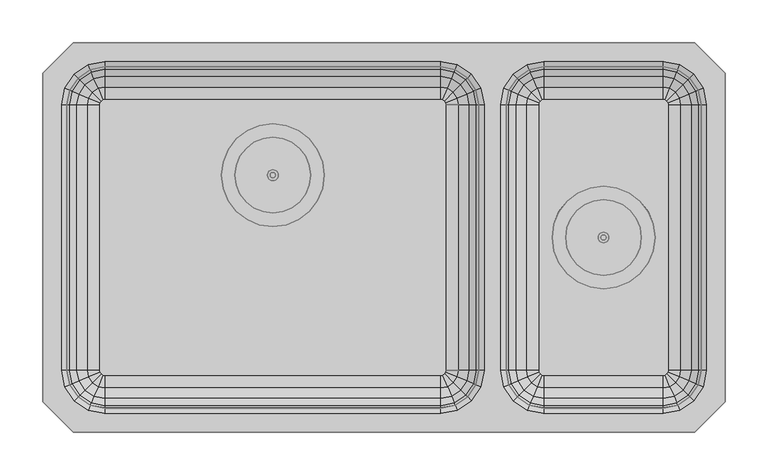
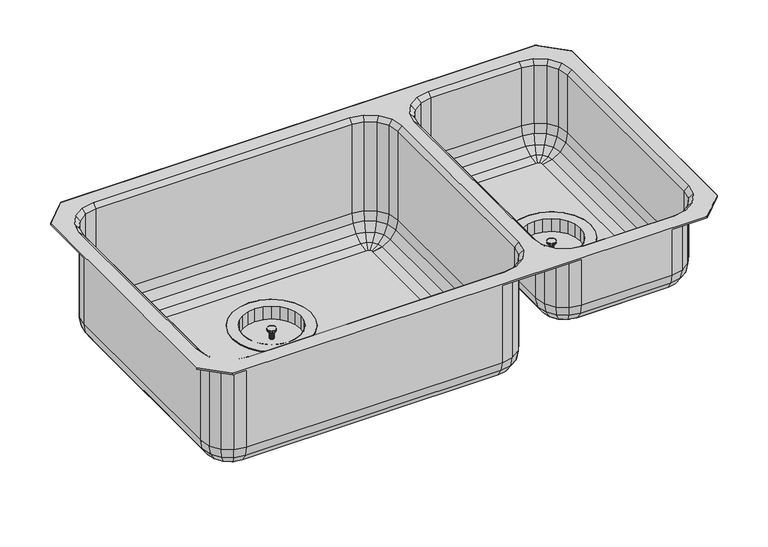
"""IFC4 building model written with IfcOpenShell, lengths in millimetres: flow terminal geometry."""

from ifc_helpers import new_model, si_unit, origin, place, context, project, spatial, triangles, source, transform, mapped, element, save


def flow_terminal_70f16a05(model_context):
    return source(origin(), model_context, "Body", "Tessellation", [
        triangles([(660.5270514, -228.5999818, 63.4999985), (660.5270514, -228.5999818, 50.8000015), (660.4188457, -227.7782297, 50.8000015), (660.4188457, -227.7782297, 63.4999985), (701.8020029, -228.5999818, 50.8000015), (701.8020029, -228.5999818, 71.4375), (700.2874151, -217.0954697, 71.4375), (700.2874151, -217.0954697, 50.8000015), (660.1016413, -227.0124697, 50.8000015), (660.1016413, -227.0124697, 63.4999985), (695.8468431, -206.3749758, 71.4375), (695.8468431, -206.3749758, 50.8000015), (659.5970936, -226.3549154, 50.8000015), (659.5970936, -226.3549154, 63.4999985), (688.7829575, -197.1690697, 71.4375), (688.7829575, -197.1690697, 50.8000015), (658.9395029, -225.8503495, 50.8000015), (658.9395029, -225.8503495, 63.4999985), (679.5770514, -190.1051476, 71.4375), (679.5770514, -190.1051476, 50.8000015), (658.1737793, -225.5331632, 50.8000015), (658.1737793, -225.5331632, 63.4999985), (668.8565575, -185.6645757, 71.4375), (668.8565575, -185.6645757, 50.8000015), (657.3520271, -225.4249758, 50.8000015), (657.3520271, -225.4249758, 63.4999985), (657.3520271, -184.1499697, 71.4375), (657.3520271, -184.1499697, 50.8000015), (656.530275, -225.5331632, 50.8000015), (656.530275, -225.5331632, 63.4999985), (645.8474968, -185.6645757, 71.4375), (645.8474968, -185.6645757, 50.8000015), (655.7645514, -225.8503495, 50.8000015), (655.7645514, -225.8503495, 63.4999985), (635.1270029, -190.1051476, 71.4375), (635.1270029, -190.1051476, 50.8000015), (655.1069607, -226.3549154, 50.8000015), (655.1069607, -226.3549154, 63.4999985), (625.9210968, -197.1690697, 71.4375), (625.9210968, -197.1690697, 50.8000015), (654.602413, -227.0124697, 50.8000015), (654.602413, -227.0124697, 63.4999985), (618.8572111, -206.3749758, 71.4375), (618.8572111, -206.3749758, 50.8000015), (654.2852085, -227.7782297, 50.8000015), (654.2852085, -227.7782297, 63.4999985), (614.4166391, -217.0954697, 71.4375), (614.4166391, -217.0954697, 50.8000015), (654.1770029, -228.5999818, 50.8000015), (654.1770029, -228.5999818, 63.4999985), (612.9020514, -228.5999818, 71.4375), (612.9020514, -228.5999818, 50.8000015), (654.2852085, -229.421734, 50.8000015), (654.2852085, -229.421734, 63.4999985), (614.4166391, -240.1044758, 71.4375), (614.4166391, -240.1044758, 50.8000015), (654.602413, -230.1874758, 50.8000015), (654.602413, -230.1874758, 63.4999985), (618.8572111, -250.8249697, 71.4375), (618.8572111, -250.8249697, 50.8000015), (655.1069607, -230.8450301, 50.8000015), (655.1069607, -230.8450301, 63.4999985), (625.9210968, -260.0308758, 71.4375), (625.9210968, -260.0308758, 50.8000015), (655.7645514, -231.3496141, 50.8000015), (655.7645514, -231.3496141, 63.4999985), (635.1270029, -267.0947978, 71.4375), (635.1270029, -267.0947978, 50.8000015), (656.530275, -231.6667823, 50.8000015), (656.530275, -231.6667823, 63.4999985), (645.8474968, -271.5353698, 71.4375), (645.8474968, -271.5353698, 50.8000015), (657.3520271, -231.7749697, 50.8000015), (657.3520271, -231.7749697, 63.4999985), (657.3520271, -273.0499758, 71.4375), (657.3520271, -273.0499758, 50.8000015), (658.1737793, -231.6667823, 50.8000015), (658.1737793, -231.6667823, 63.4999985), (668.8565575, -271.5353698, 71.4375), (668.8565575, -271.5353698, 50.8000015), (658.9395029, -231.3496141, 50.8000015), (658.9395029, -231.3496141, 63.4999985), (679.5770514, -267.0947978, 71.4375), (679.5770514, -267.0947978, 50.8000015), (659.5970936, -230.8450301, 50.8000015), (659.5970936, -230.8450301, 63.4999985), (688.7829575, -260.0308758, 71.4375), (688.7829575, -260.0308758, 50.8000015), (660.1016413, -230.1874758, 50.8000015), (660.1016413, -230.1874758, 63.4999985), (695.8468431, -250.8249697, 71.4375), (695.8468431, -250.8249697, 50.8000015), (660.4188457, -229.421734, 50.8000015), (660.4188457, -229.421734, 63.4999985), (700.2874151, -240.1044758, 71.4375), (700.2874151, -240.1044758, 50.8000015), (599.082546, -244.2132367, 71.4375), (605.1090314, -258.7624758, 71.4375), (599.082546, -244.2132367, 69.8500015), (605.1090314, -258.7624758, 69.8500015), (614.6958372, -271.2561899, 71.4375), (700.008217, -271.2561899, 71.4375), (709.5949865, -258.7624758, 71.4375), (715.6215082, -244.2132367, 71.4375), (709.5949865, -258.7624758, 69.8500015), (715.6215082, -244.2132367, 69.8500015), (672.9653183, -286.8694448, 71.4375), (687.5145029, -280.8429594, 71.4375), (672.9653183, -286.8694448, 69.8500015), (687.5145029, -280.8429594, 69.8500015), (614.6958372, -271.2561899, 69.8500015), (627.1895514, -280.8429594, 69.8500015), (627.1895514, -280.8429594, 71.4375), (641.738736, -286.8694448, 69.8500015), (641.738736, -286.8694448, 71.4375), (657.3520271, -288.9249697, 69.8500015), (657.3520271, -288.9249697, 71.4375), (700.008217, -271.2561899, 69.8500015), (687.5145029, -176.3569861, 71.4375), (672.9653183, -170.3305007, 71.4375), (687.5145029, -176.3569861, 69.8500015), (672.9653183, -170.3305007, 69.8500015), (641.738736, -170.3305007, 71.4375), (627.1895514, -176.3569861, 71.4375), (614.6958372, -185.9437556, 71.4375), (627.1895514, -176.3569861, 69.8500015), (614.6958372, -185.9437556, 69.8500015), (663.7020029, -228.5999818, 66.675), (663.7020029, -228.5999818, 63.4999985), (663.4856644, -226.9564775, 63.4999985), (663.4856644, -226.9564775, 66.675), (662.8512554, -225.4249758, 63.4999985), (662.8512554, -225.4249758, 66.675), (661.84216, -224.1098489, 63.4999985), (661.84216, -224.1098489, 66.675), (660.5270514, -223.1007172, 63.4999985), (660.5270514, -223.1007172, 66.675), (658.9955315, -222.4663446, 63.4999985), (658.9955315, -222.4663446, 66.675), (657.3520271, -222.2499697, 63.4999985), (657.3520271, -222.2499697, 66.675), (655.7085228, -222.4663446, 63.4999985), (655.7085228, -222.4663446, 66.675), (654.1770029, -223.1007172, 63.4999985), (654.1770029, -223.1007172, 66.675), (652.8618942, -224.1098489, 63.4999985), (652.8618942, -224.1098489, 66.675), (651.8527988, -225.4249758, 63.4999985), (651.8527988, -225.4249758, 66.675), (651.2183899, -226.9564775, 63.4999985), (651.2183899, -226.9564775, 66.675), (651.0020514, -228.5999818, 63.4999985), (651.0020514, -228.5999818, 66.675), (651.2183899, -230.243468, 63.4999985), (651.2183899, -230.243468, 66.675), (651.8527988, -231.7749697, 63.4999985), (651.8527988, -231.7749697, 66.675), (652.8618942, -233.0900966, 63.4999985), (652.8618942, -233.0900966, 66.675), (654.1770029, -234.0992283, 63.4999985), (654.1770029, -234.0992283, 66.675), (655.7085228, -234.7336009, 63.4999985), (655.7085228, -234.7336009, 66.675), (657.3520271, -234.9499758, 63.4999985), (657.3520271, -234.9499758, 66.675), (658.9955315, -234.7336009, 63.4999985), (658.9955315, -234.7336009, 66.675), (660.5270514, -234.0992283, 63.4999985), (660.5270514, -234.0992283, 66.675), (661.84216, -233.0900966, 63.4999985), (661.84216, -233.0900966, 66.675), (662.8512554, -231.7749697, 63.4999985), (662.8512554, -231.7749697, 66.675), (663.4856644, -230.243468, 63.4999985), (663.4856644, -230.243468, 66.675), (657.3520271, -228.5999818, 66.675), (605.1090314, -198.4374697, 71.4375), (605.1090314, -198.4374697, 69.8500015), (599.082546, -212.9867088, 71.4375), (597.0270392, -228.5999818, 71.4375), (599.082546, -212.9867088, 69.8500015), (597.0270392, -228.5999818, 69.8500015), (657.3520271, -168.2749758, 69.8500015), (657.3520271, -168.2749758, 71.4375), (641.738736, -170.3305007, 69.8500015), (700.008217, -185.9437556, 71.4375), (700.008217, -185.9437556, 69.8500015), (717.6770514, -228.5999818, 71.4375), (715.6215082, -212.9867088, 71.4375), (717.6770514, -228.5999818, 69.8500015), (715.6215082, -212.9867088, 69.8500015), (709.5949865, -198.4374697, 69.8500015), (709.5949865, -198.4374697, 71.4375), (272.9230031, -155.4479789, 12.7000004), (272.9230031, -155.4479789, 0.0), (272.8148157, -154.6262268, 0.0), (272.8148157, -154.6262268, 12.7000004), (314.1980092, -155.4479789, 0.0), (314.1980092, -155.4479789, 20.6375008), (312.6833851, -143.9434668, 20.6375008), (312.6833851, -143.9434668, 0.0), (272.4976294, -153.8604668, 0.0), (272.4976294, -153.8604668, 12.7000004), (308.2428131, -133.2229729, 20.6375008), (308.2428131, -133.2229729, 0.0), (271.9930635, -153.2029125, 0.0), (271.9930635, -153.2029125, 12.7000004), (301.1788911, -124.0170758, 20.6375008), (301.1788911, -124.0170758, 0.0), (271.335491, -152.6983466, 0.0), (271.335491, -152.6983466, 12.7000004), (291.9730031, -116.9531447, 20.6375008), (291.9730031, -116.9531447, 0.0), (270.5697493, -152.3811603, 0.0), (270.5697493, -152.3811603, 12.7000004), (281.2525093, -112.5125728, 20.6375008), (281.2525093, -112.5125728, 0.0), (269.7479971, -152.2729729, 0.0), (269.7479971, -152.2729729, 12.7000004), (269.7479971, -110.9979759, 20.6375008), (269.7479971, -110.9979759, 0.0), (268.9262449, -152.3811603, 0.0), (268.9262449, -152.3811603, 12.7000004), (258.2434849, -112.5125728, 20.6375008), (258.2434849, -112.5125728, 0.0), (268.1605031, -152.6983466, 0.0), (268.1605031, -152.6983466, 12.7000004), (247.522991, -116.9531447, 20.6375008), (247.522991, -116.9531447, 0.0), (267.5029306, -153.2029125, 0.0), (267.5029306, -153.2029125, 12.7000004), (238.3171031, -124.0170758, 20.6375008), (238.3171031, -124.0170758, 0.0), (266.9983648, -153.8604668, 0.0), (266.9983648, -153.8604668, 12.7000004), (231.2531629, -133.2229729, 20.6375008), (231.2531629, -133.2229729, 0.0), (266.6811785, -154.6262268, 0.0), (266.6811785, -154.6262268, 12.7000004), (226.8125909, -143.9434668, 20.6375008), (226.8125909, -143.9434668, 0.0), (266.572991, -155.4479789, 0.0), (266.572991, -155.4479789, 12.7000004), (225.2980031, -155.4479789, 20.6375008), (225.2980031, -155.4479789, 0.0), (266.6811785, -156.2697311, 0.0), (266.6811785, -156.2697311, 12.7000004), (226.8125909, -166.9524729, 20.6375008), (226.8125909, -166.9524729, 0.0), (266.9983648, -157.0354729, 0.0), (266.9983648, -157.0354729, 12.7000004), (231.2531629, -177.6729668, 20.6375008), (231.2531629, -177.6729668, 0.0), (267.5029306, -157.6930454, 0.0), (267.5029306, -157.6930454, 12.7000004), (238.3171031, -186.8788729, 20.6375008), (238.3171031, -186.8788729, 0.0), (268.1605031, -158.1976112, 0.0), (268.1605031, -158.1976112, 12.7000004), (247.522991, -193.9427949, 20.6375008), (247.522991, -193.9427949, 0.0), (268.9262449, -158.5147975, 0.0), (268.9262449, -158.5147975, 12.7000004), (258.2434849, -198.3833851, 20.6375008), (258.2434849, -198.3833851, 0.0), (269.7479971, -158.6229668, 0.0), (269.7479971, -158.6229668, 12.7000004), (269.7479971, -199.8979729, 20.6375008), (269.7479971, -199.8979729, 0.0), (270.5697493, -158.5147975, 0.0), (270.5697493, -158.5147975, 12.7000004), (281.2525093, -198.3833851, 20.6375008), (281.2525093, -198.3833851, 0.0), (271.335491, -158.1976112, 0.0), (271.335491, -158.1976112, 12.7000004), (291.9730031, -193.9427949, 20.6375008), (291.9730031, -193.9427949, 0.0), (271.9930635, -157.6930454, 0.0), (271.9930635, -157.6930454, 12.7000004), (301.1788911, -186.8788729, 20.6375008), (301.1788911, -186.8788729, 0.0), (272.4976294, -157.0354729, 0.0), (272.4976294, -157.0354729, 12.7000004), (308.2428131, -177.6729668, 20.6375008), (308.2428131, -177.6729668, 0.0), (272.8148157, -156.2697311, 0.0), (272.8148157, -156.2697311, 12.7000004), (312.6833851, -166.9524729, 20.6375008), (312.6833851, -166.9524729, 0.0), (211.478516, -171.0612338, 20.6375008), (217.5050195, -185.6104729, 20.6375008), (211.478516, -171.0612338, 19.05), (217.5050195, -185.6104729, 19.05), (227.091789, -198.104187, 20.6375008), (312.4042233, -198.104187, 20.6375008), (321.9909928, -185.6104729, 20.6375008), (328.0174782, -171.0612338, 20.6375008), (321.9909928, -185.6104729, 19.05), (328.0174782, -171.0612338, 19.05), (285.3612519, -213.7174418, 20.6375008), (299.910491, -207.6909565, 20.6375008), (285.3612519, -213.7174418, 19.05), (299.910491, -207.6909565, 19.05), (227.091789, -198.104187, 19.05), (239.5855031, -207.6909565, 19.05), (239.5855031, -207.6909565, 20.6375008), (254.1347423, -213.7174418, 19.05), (254.1347423, -213.7174418, 20.6375008), (269.7479971, -215.7729668, 19.05), (269.7479971, -215.7729668, 20.6375008), (312.4042233, -198.104187, 19.05), (299.910491, -103.2049923, 20.6375008), (285.3612519, -97.1784978, 20.6375008), (299.910491, -103.2049923, 19.05), (285.3612519, -97.1784978, 19.05), (254.1347423, -97.1784978, 20.6375008), (239.5855031, -103.2049923, 20.6375008), (227.091789, -112.7917618, 20.6375008), (239.5855031, -103.2049923, 19.05), (227.091789, -112.7917618, 19.05), (276.097991, -155.4479789, 15.8749996), (276.097991, -155.4479789, 12.7000004), (275.8816343, -153.8044746, 12.7000004), (275.8816343, -153.8044746, 15.8749996), (275.2472617, -152.2729729, 12.7000004), (275.2472617, -152.2729729, 15.8749996), (274.23813, -150.957846, 12.7000004), (274.23813, -150.957846, 15.8749996), (272.9230031, -149.9487143, 12.7000004), (272.9230031, -149.9487143, 15.8749996), (271.3915014, -149.3143417, 12.7000004), (271.3915014, -149.3143417, 15.8749996), (269.7479971, -149.0979759, 12.7000004), (269.7479971, -149.0979759, 15.8749996), (268.1044928, -149.3143417, 12.7000004), (268.1044928, -149.3143417, 15.8749996), (266.572991, -149.9487143, 12.7000004), (266.572991, -149.9487143, 15.8749996), (265.2578642, -150.957846, 12.7000004), (265.2578642, -150.957846, 15.8749996), (264.2487325, -152.2729729, 12.7000004), (264.2487325, -152.2729729, 15.8749996), (263.614378, -153.8044746, 12.7000004), (263.614378, -153.8044746, 15.8749996), (263.3980031, -155.4479789, 12.7000004), (263.3980031, -155.4479789, 15.8749996), (263.614378, -157.0914833, 12.7000004), (263.614378, -157.0914833, 15.8749996), (264.2487325, -158.6229668, 12.7000004), (264.2487325, -158.6229668, 15.8749996), (265.2578642, -159.9380937, 12.7000004), (265.2578642, -159.9380937, 15.8749996), (266.572991, -160.9472435, 12.7000004), (266.572991, -160.9472435, 15.8749996), (268.1044928, -161.581598, 12.7000004), (268.1044928, -161.581598, 15.8749996), (269.7479971, -161.7979729, 12.7000004), (269.7479971, -161.7979729, 15.8749996), (271.3915014, -161.581598, 12.7000004), (271.3915014, -161.581598, 15.8749996), (272.9230031, -160.9472435, 12.7000004), (272.9230031, -160.9472435, 15.8749996), (274.23813, -159.9380937, 12.7000004), (274.23813, -159.9380937, 15.8749996), (275.2472617, -158.6229668, 12.7000004), (275.2472617, -158.6229668, 15.8749996), (275.8816343, -157.0914833, 12.7000004), (275.8816343, -157.0914833, 15.8749996), (269.7479971, -155.4479789, 15.8749996), (217.5050195, -125.2854759, 20.6375008), (217.5050195, -125.2854759, 19.05), (211.478516, -139.834715, 20.6375008), (209.422991, -155.4479789, 20.6375008), (211.478516, -139.834715, 19.05), (209.422991, -155.4479789, 19.05), (269.7479971, -95.1229729, 19.05), (269.7479971, -95.1229729, 20.6375008), (254.1347423, -97.1784978, 19.05), (312.4042233, -112.7917618, 20.6375008), (312.4042233, -112.7917618, 19.05), (330.072985, -155.4479789, 20.6375008), (328.0174782, -139.834715, 20.6375008), (330.072985, -155.4479789, 19.05), (328.0174782, -139.834715, 19.05), (321.9909928, -125.2854759, 19.05), (321.9909928, -125.2854759, 20.6375008)], [[2, 3, 1], [3, 4, 1], [6, 7, 8], [6, 8, 5], [3, 9, 4], [9, 10, 4], [7, 11, 12], [7, 12, 8], [9, 13, 10], [13, 14, 10], [11, 15, 16], [11, 16, 12], [13, 17, 14], [17, 18, 14], [15, 19, 20], [15, 20, 16], [17, 21, 18], [21, 22, 18], [19, 23, 24], [19, 24, 20], [21, 25, 22], [25, 26, 22], [23, 27, 28], [23, 28, 24], [25, 29, 26], [29, 30, 26], [27, 31, 32], [27, 32, 28], [29, 33, 30], [33, 34, 30], [31, 35, 36], [31, 36, 32], [33, 37, 34], [37, 38, 34], [35, 39, 40], [35, 40, 36], [37, 41, 38], [41, 42, 38], [39, 43, 44], [39, 44, 40], [41, 45, 42], [45, 46, 42], [43, 47, 48], [43, 48, 44], [45, 49, 50], [45, 50, 46], [47, 51, 52], [47, 52, 48], [49, 53, 54], [49, 54, 50], [51, 55, 56], [51, 56, 52], [53, 57, 58], [53, 58, 54], [55, 59, 60], [55, 60, 56], [57, 61, 62], [57, 62, 58], [59, 63, 64], [59, 64, 60], [61, 65, 66], [61, 66, 62], [63, 67, 68], [63, 68, 64], [65, 69, 70], [65, 70, 66], [67, 71, 72], [67, 72, 68], [69, 73, 74], [69, 74, 70], [71, 75, 76], [71, 76, 72], [73, 77, 78], [73, 78, 74], [75, 79, 80], [75, 80, 76], [77, 81, 82], [77, 82, 78], [79, 83, 84], [79, 84, 80], [81, 85, 86], [81, 86, 82], [83, 87, 88], [83, 88, 84], [85, 89, 90], [85, 90, 86], [87, 91, 92], [87, 92, 88], [89, 93, 94], [89, 94, 90], [91, 95, 92], [95, 96, 92], [93, 2, 94], [2, 1, 94], [95, 6, 5], [95, 5, 96], [60, 64, 61], [60, 61, 57], [64, 68, 65], [64, 65, 61], [68, 72, 69], [68, 69, 65], [72, 76, 73], [72, 73, 69], [76, 80, 77], [76, 77, 73], [80, 84, 81], [80, 81, 77], [84, 88, 85], [84, 85, 81], [88, 92, 89], [88, 89, 85], [5, 8, 3], [5, 3, 2], [8, 12, 9], [8, 9, 3], [12, 16, 13], [12, 13, 9], [16, 20, 17], [16, 17, 13], [20, 24, 21], [20, 21, 17], [92, 96, 93], [92, 93, 89], [96, 5, 2], [96, 2, 93], [24, 28, 21], [28, 25, 21], [28, 32, 25], [32, 29, 25], [32, 36, 29], [36, 33, 29], [36, 40, 33], [40, 37, 33], [40, 44, 37], [44, 41, 37], [44, 48, 45], [44, 45, 41], [48, 52, 49], [48, 49, 45], [52, 56, 53], [52, 53, 49], [56, 60, 57], [56, 57, 53], [97, 98, 59], [97, 59, 55], [99, 100, 98], [99, 98, 97], [98, 101, 63], [98, 63, 59], [102, 103, 87], [103, 91, 87], [103, 104, 95], [103, 95, 91], [105, 106, 104], [105, 104, 103], [107, 108, 83], [107, 83, 79], [109, 110, 108], [109, 108, 107], [100, 111, 101], [100, 101, 98], [111, 112, 113], [111, 113, 101], [112, 114, 115], [112, 115, 113], [114, 116, 117], [114, 117, 115], [116, 109, 107], [116, 107, 117], [113, 115, 71], [113, 71, 67], [115, 117, 75], [115, 75, 71], [101, 113, 67], [101, 67, 63], [117, 107, 79], [117, 79, 75], [110, 118, 102], [110, 102, 108], [118, 105, 103], [118, 103, 102], [108, 102, 83], [102, 87, 83], [119, 120, 23], [119, 23, 19], [121, 122, 119], [122, 120, 119], [123, 124, 31], [124, 35, 31], [124, 125, 39], [124, 39, 35], [126, 127, 125], [126, 125, 124], [129, 130, 128], [130, 131, 128], [130, 132, 131], [132, 133, 131], [132, 134, 133], [134, 135, 133], [134, 136, 135], [136, 137, 135], [136, 138, 137], [138, 139, 137], [138, 140, 139], [140, 141, 139], [140, 142, 141], [142, 143, 141], [142, 144, 143], [144, 145, 143], [144, 146, 145], [146, 147, 145], [146, 148, 147], [148, 149, 147], [148, 150, 149], [150, 151, 149], [150, 152, 153], [150, 153, 151], [152, 154, 155], [152, 155, 153], [154, 156, 157], [154, 157, 155], [156, 158, 159], [156, 159, 157], [158, 160, 161], [158, 161, 159], [160, 162, 163], [160, 163, 161], [162, 164, 165], [162, 165, 163], [164, 166, 167], [164, 167, 165], [166, 168, 169], [166, 169, 167], [168, 170, 171], [168, 171, 169], [170, 172, 173], [170, 173, 171], [172, 174, 175], [172, 175, 173], [174, 129, 175], [129, 128, 175], [4, 10, 130], [10, 132, 130], [10, 14, 132], [14, 134, 132], [14, 18, 134], [18, 136, 134], [18, 22, 136], [22, 138, 136], [78, 82, 168], [78, 168, 166], [82, 86, 170], [82, 170, 168], [86, 90, 172], [86, 172, 170], [90, 94, 174], [90, 174, 172], [54, 58, 156], [54, 156, 154], [58, 62, 158], [58, 158, 156], [70, 74, 164], [70, 164, 162], [74, 78, 166], [74, 166, 164], [66, 70, 162], [66, 162, 160], [62, 66, 160], [62, 160, 158], [38, 42, 148], [38, 148, 146], [42, 46, 148], [46, 150, 148], [46, 50, 150], [50, 152, 150], [50, 54, 154], [50, 154, 152], [34, 38, 146], [34, 146, 144], [26, 30, 142], [26, 142, 140], [30, 34, 144], [30, 144, 142], [22, 26, 140], [22, 140, 138], [1, 4, 129], [4, 130, 129], [94, 1, 129], [94, 129, 174], [176, 128, 131], [176, 131, 133], [176, 133, 135], [176, 135, 137], [176, 137, 139], [176, 167, 169], [176, 169, 171], [176, 171, 173], [176, 173, 175], [176, 175, 128], [176, 155, 157], [176, 157, 159], [176, 159, 161], [176, 161, 163], [176, 163, 165], [176, 165, 167], [176, 147, 149], [176, 149, 151], [176, 151, 153], [176, 153, 155], [176, 139, 141], [176, 141, 143], [176, 143, 145], [176, 145, 147], [125, 177, 43], [125, 43, 39], [127, 178, 177], [127, 177, 125], [177, 179, 47], [177, 47, 43], [179, 180, 51], [179, 51, 47], [180, 97, 55], [180, 55, 51], [181, 182, 180], [181, 180, 179], [182, 99, 97], [182, 97, 180], [178, 181, 179], [178, 179, 177], [122, 183, 120], [183, 184, 120], [183, 185, 123], [183, 123, 184], [185, 126, 124], [185, 124, 123], [184, 123, 27], [123, 31, 27], [120, 184, 23], [184, 27, 23], [186, 119, 19], [186, 19, 15], [187, 121, 119], [187, 119, 186], [188, 189, 7], [188, 7, 6], [190, 191, 189], [190, 189, 188], [106, 190, 188], [106, 188, 104], [104, 188, 6], [104, 6, 95], [191, 192, 193], [191, 193, 189], [192, 187, 186], [192, 186, 193], [189, 193, 11], [189, 11, 7], [193, 186, 15], [193, 15, 11], [195, 196, 197], [195, 197, 194], [199, 200, 201], [199, 201, 198], [196, 202, 203], [196, 203, 197], [200, 204, 205], [200, 205, 201], [202, 206, 207], [202, 207, 203], [204, 208, 209], [204, 209, 205], [206, 210, 211], [206, 211, 207], [208, 212, 213], [208, 213, 209], [210, 214, 215], [210, 215, 211], [212, 216, 217], [212, 217, 213], [214, 218, 219], [214, 219, 215], [216, 220, 221], [216, 221, 217], [218, 222, 223], [218, 223, 219], [220, 224, 225], [220, 225, 221], [222, 226, 227], [222, 227, 223], [224, 228, 229], [224, 229, 225], [226, 230, 231], [226, 231, 227], [228, 232, 233], [228, 233, 229], [230, 234, 235], [230, 235, 231], [232, 236, 237], [232, 237, 233], [234, 238, 239], [234, 239, 235], [236, 240, 241], [236, 241, 237], [238, 242, 243], [238, 243, 239], [240, 244, 245], [240, 245, 241], [242, 246, 247], [242, 247, 243], [244, 248, 249], [244, 249, 245], [246, 250, 251], [246, 251, 247], [248, 252, 253], [248, 253, 249], [250, 254, 255], [250, 255, 251], [252, 256, 257], [252, 257, 253], [254, 258, 259], [254, 259, 255], [256, 260, 261], [256, 261, 257], [258, 262, 263], [258, 263, 259], [260, 264, 265], [260, 265, 261], [262, 266, 267], [262, 267, 263], [264, 268, 269], [264, 269, 265], [266, 270, 271], [266, 271, 267], [268, 272, 273], [268, 273, 269], [270, 274, 275], [270, 275, 271], [272, 276, 277], [272, 277, 273], [274, 278, 279], [274, 279, 275], [276, 280, 281], [276, 281, 277], [278, 282, 283], [278, 283, 279], [280, 284, 285], [280, 285, 281], [282, 286, 287], [282, 287, 283], [284, 288, 289], [284, 289, 285], [286, 195, 194], [286, 194, 287], [288, 199, 198], [288, 198, 289], [253, 257, 254], [253, 254, 250], [257, 261, 258], [257, 258, 254], [261, 265, 262], [261, 262, 258], [265, 269, 266], [265, 266, 262], [269, 273, 270], [269, 270, 266], [273, 277, 274], [273, 274, 270], [277, 281, 278], [277, 278, 274], [281, 285, 282], [281, 282, 278], [198, 201, 196], [198, 196, 195], [201, 205, 202], [201, 202, 196], [205, 209, 206], [205, 206, 202], [209, 213, 210], [209, 210, 206], [213, 217, 214], [213, 214, 210], [285, 289, 286], [285, 286, 282], [289, 198, 195], [289, 195, 286], [217, 221, 214], [221, 218, 214], [221, 225, 218], [225, 222, 218], [225, 229, 222], [229, 226, 222], [229, 233, 226], [233, 230, 226], [233, 237, 230], [237, 234, 230], [237, 241, 238], [237, 238, 234], [241, 245, 242], [241, 242, 238], [245, 249, 246], [245, 246, 242], [249, 253, 250], [249, 250, 246], [290, 291, 252], [290, 252, 248], [292, 293, 291], [292, 291, 290], [291, 294, 256], [291, 256, 252], [295, 296, 284], [295, 284, 280], [296, 297, 288], [296, 288, 284], [298, 299, 297], [298, 297, 296], [300, 301, 272], [301, 276, 272], [302, 303, 301], [302, 301, 300], [293, 304, 294], [293, 294, 291], [304, 305, 306], [304, 306, 294], [305, 307, 308], [305, 308, 306], [307, 309, 310], [307, 310, 308], [309, 302, 300], [309, 300, 310], [306, 308, 264], [306, 264, 260], [308, 310, 268], [308, 268, 264], [294, 306, 260], [294, 260, 256], [310, 300, 272], [310, 272, 268], [303, 311, 295], [303, 295, 301], [311, 298, 296], [311, 296, 295], [301, 295, 276], [295, 280, 276], [312, 313, 216], [312, 216, 212], [314, 315, 312], [315, 313, 312], [316, 317, 224], [317, 228, 224], [317, 318, 232], [317, 232, 228], [319, 320, 318], [319, 318, 317], [322, 323, 321], [323, 324, 321], [323, 325, 324], [325, 326, 324], [325, 327, 326], [327, 328, 326], [327, 329, 328], [329, 330, 328], [329, 331, 330], [331, 332, 330], [331, 333, 332], [333, 334, 332], [333, 335, 334], [335, 336, 334], [335, 337, 336], [337, 338, 336], [337, 339, 338], [339, 340, 338], [339, 341, 340], [341, 342, 340], [341, 343, 344], [341, 344, 342], [343, 345, 346], [343, 346, 344], [345, 347, 348], [345, 348, 346], [347, 349, 350], [347, 350, 348], [349, 351, 352], [349, 352, 350], [351, 353, 354], [351, 354, 352], [353, 355, 356], [353, 356, 354], [355, 357, 358], [355, 358, 356], [357, 359, 360], [357, 360, 358], [359, 361, 362], [359, 362, 360], [361, 363, 364], [361, 364, 362], [363, 365, 366], [363, 366, 364], [365, 367, 366], [367, 368, 366], [367, 322, 368], [322, 321, 368], [197, 203, 323], [203, 325, 323], [203, 207, 325], [207, 327, 325], [207, 211, 327], [211, 329, 327], [211, 215, 331], [211, 331, 329], [271, 275, 361], [271, 361, 359], [275, 279, 363], [275, 363, 361], [279, 283, 365], [279, 365, 363], [283, 287, 367], [283, 367, 365], [247, 251, 349], [247, 349, 347], [251, 255, 351], [251, 351, 349], [263, 267, 357], [263, 357, 355], [267, 271, 359], [267, 359, 357], [259, 263, 355], [259, 355, 353], [255, 259, 353], [255, 353, 351], [231, 235, 341], [231, 341, 339], [235, 239, 341], [239, 343, 341], [239, 243, 345], [239, 345, 343], [243, 247, 347], [243, 347, 345], [227, 231, 339], [227, 339, 337], [219, 223, 335], [219, 335, 333], [223, 227, 337], [223, 337, 335], [215, 219, 333], [215, 333, 331], [194, 197, 322], [197, 323, 322], [287, 194, 367], [194, 322, 367], [369, 321, 324], [369, 324, 326], [369, 326, 328], [369, 328, 330], [369, 330, 332], [369, 360, 362], [369, 362, 364], [369, 364, 366], [369, 366, 368], [369, 368, 321], [369, 348, 350], [369, 350, 352], [369, 352, 354], [369, 354, 356], [369, 356, 358], [369, 358, 360], [369, 340, 342], [369, 342, 344], [369, 344, 346], [369, 346, 348], [369, 332, 334], [369, 334, 336], [369, 336, 338], [369, 338, 340], [318, 370, 236], [318, 236, 232], [320, 371, 370], [320, 370, 318], [370, 372, 240], [370, 240, 236], [372, 373, 244], [372, 244, 240], [373, 290, 248], [373, 248, 244], [374, 375, 373], [374, 373, 372], [375, 292, 290], [375, 290, 373], [371, 374, 372], [371, 372, 370], [315, 376, 313], [376, 377, 313], [376, 378, 377], [378, 316, 377], [378, 319, 316], [319, 317, 316], [377, 316, 220], [316, 224, 220], [313, 377, 216], [377, 220, 216], [379, 312, 212], [379, 212, 208], [380, 314, 379], [314, 312, 379], [381, 382, 200], [381, 200, 199], [383, 384, 381], [384, 382, 381], [299, 383, 381], [299, 381, 297], [297, 381, 199], [297, 199, 288], [384, 385, 382], [385, 386, 382], [385, 380, 386], [380, 379, 386], [382, 386, 204], [382, 204, 200], [386, 379, 208], [386, 208, 204]], closed=False),
        triangles([(72.8980259, -428.7519908, 57.15), (72.8980259, -425.8518044, 42.5697671), (56.9975747, -422.6889888, 42.5697671), (55.8877224, -425.3684037, 57.15), (546.4355779, -401.3122413, 107.949997), (549.1149928, -400.202389, 93.3697641), (545.9521771, -384.3019787, 93.3697641), (543.0520271, -384.3019787, 107.949997), (28.4480251, -72.8979759, 57.15), (31.3481978, -72.8979759, 42.5697671), (34.5109544, -56.9975248, 42.5697671), (31.8315599, -55.8877224, 57.15), (543.0520271, -72.8979759, 107.949997), (545.9521771, -72.8979759, 93.3697641), (549.1149928, -56.9975248, 93.3697641), (546.4355779, -55.8877224, 107.949997), (768.2684401, -55.8877224, 107.949997), (765.5890251, -56.9975248, 93.3697641), (768.7517681, -72.8979759, 93.3697641), (771.6520271, -72.8979759, 107.949997), (727.2020514, -28.4479751, 107.949997), (727.2020514, -31.3481728, 93.3697641), (743.102389, -34.5109794, 93.3697641), (744.2122776, -31.831535, 107.949997), (507.6644342, -55.8877224, 57.15), (504.9850193, -56.9975248, 42.5697671), (508.1478713, -72.8979759, 42.5697671), (511.0480213, -72.8979759, 57.15), (727.2020514, -428.7519908, 201.6760075), (727.2020514, -435.1019666, 208.0260015), (746.6422892, -431.2350514, 208.0260015), (744.2122776, -425.3684037, 201.6760075), (763.1230419, -420.2230056, 208.0260015), (758.632909, -415.7328727, 201.6760075), (774.1350878, -403.7422892, 208.0260015), (768.2684401, -401.3122413, 201.6760075), (778.0020029, -384.3019787, 208.0260015), (771.6520271, -384.3019787, 201.6760075), (587.5020392, -28.4479751, 201.6760075), (587.5020392, -22.0979744, 208.0260015), (568.0616924, -25.9648963, 208.0260015), (570.491704, -31.831535, 201.6760075), (551.5810123, -36.9769649, 208.0260015), (556.0711089, -41.4670728, 201.6760075), (540.5689301, -53.4576291, 208.0260015), (546.4355779, -55.8877224, 201.6760075), (536.702015, -72.8979759, 208.0260015), (543.0520271, -72.8979759, 201.6760075), (771.6520271, -72.8979759, 201.6760075), (778.0020029, -72.8979759, 208.0260015), (774.1350878, -53.4576291, 208.0260015), (768.2684401, -55.8877224, 201.6760075), (763.1230419, -36.9769649, 208.0260015), (758.632909, -41.4670728, 201.6760075), (746.6422892, -25.9648963, 208.0260015), (744.2122776, -31.831535, 201.6760075), (727.2020514, -22.0979744, 208.0260015), (727.2020514, -28.4479751, 201.6760075), (543.0520271, -384.3019787, 201.6760075), (536.702015, -384.3019787, 208.0260015), (540.5689301, -403.7422892, 208.0260015), (546.4355779, -401.3122413, 201.6760075), (551.5810123, -420.2230056, 208.0260015), (556.0711089, -415.7328727, 201.6760075), (568.0616924, -431.2350514, 208.0260015), (570.491704, -425.3684037, 201.6760075), (587.5020392, -435.1019666, 208.0260015), (587.5020392, -428.7519908, 201.6760075), (486.0382833, -431.2350514, 208.0260015), (483.6082355, -425.3684037, 201.6760075), (466.5980092, -428.7519908, 201.6760075), (466.5980092, -435.1019666, 208.0260015), (502.5190361, -420.2230056, 208.0260015), (498.0289032, -415.7328727, 201.6760075), (513.5311183, -403.7422892, 208.0260015), (507.6644342, -401.3122413, 201.6760075), (517.3980334, -384.3019787, 208.0260015), (511.0480213, -384.3019787, 201.6760075), (53.4577018, -25.9648963, 208.0260015), (55.8877224, -31.831535, 201.6760075), (72.8980259, -28.4479751, 201.6760075), (72.8980259, -22.0979744, 208.0260015), (36.9769899, -36.9769649, 208.0260015), (41.4671001, -41.4670728, 201.6760075), (25.9649213, -53.4576291, 208.0260015), (31.8315599, -55.8877224, 201.6760075), (22.0980243, -72.8979759, 208.0260015), (28.4480251, -72.8979759, 201.6760075), (513.5311183, -53.4576291, 208.0260015), (507.6644342, -55.8877224, 201.6760075), (511.0480213, -72.8979759, 201.6760075), (517.3980334, -72.8979759, 208.0260015), (502.5190361, -36.9769649, 208.0260015), (498.0289032, -41.4670728, 201.6760075), (486.0382833, -25.9648963, 208.0260015), (483.6082355, -31.831535, 201.6760075), (466.5980092, -22.0979744, 208.0260015), (466.5980092, -28.4479751, 201.6760075), (25.9649213, -403.7422892, 208.0260015), (31.8315599, -401.3122413, 201.6760075), (28.4480251, -384.3019787, 201.6760075), (22.0980243, -384.3019787, 208.0260015), (36.9769899, -420.2230056, 208.0260015), (41.4671001, -415.7328727, 201.6760075), (53.4577018, -431.2350514, 208.0260015), (55.8877224, -425.3684037, 201.6760075), (72.8980259, -435.1019666, 208.0260015), (72.8980259, -428.7519908, 201.6760075), (558.1218558, -413.6821258, 93.3697641), (556.0711089, -415.7328727, 107.949997), (571.6015926, -422.6889888, 93.3697641), (570.491704, -425.3684037, 107.949997), (556.7453047, -397.0417897, 81.0092359), (554.2111934, -384.3019787, 81.0092359), (563.9619063, -407.8421116, 81.0092359), (574.7621919, -415.0586406, 81.0092359), (587.5020392, -417.5927519, 81.0092359), (587.5020392, -425.8518044, 93.3697641), (568.1649928, -392.3116279, 72.7501969), (566.5717761, -384.3019787, 72.7501969), (572.7021069, -399.1019111, 72.7501969), (579.4923901, -403.6389888, 72.7501969), (587.5020392, -405.2322055, 72.7501969), (583.0119063, -388.7921116, 69.8500015), (581.6353552, -386.7320266, 69.8500015), (585.0719913, -390.1686264, 69.8500015), (587.5020392, -428.7519908, 107.949997), (581.1520271, -384.3019787, 69.8500015), (587.5020392, -390.6519908, 69.8500015), (581.2740037, -385.5408202, 69.8500015), (582.2221653, -387.829852, 69.8500015), (583.9741296, -389.5818163, 69.8500015), (586.2631977, -390.5299779, 69.8500015), (756.5821621, -413.6821258, 93.3697641), (743.102389, -422.6889888, 93.3697641), (744.2122776, -425.3684037, 107.949997), (758.632909, -415.7328727, 107.949997), (765.5890251, -400.202389, 93.3697641), (768.2684401, -401.3122413, 107.949997), (739.9418261, -415.0586406, 81.0092359), (727.2020514, -417.5927519, 81.0092359), (727.2020514, -425.8518044, 93.3697641), (750.7421843, -407.8421116, 81.0092359), (757.9586769, -397.0417897, 81.0092359), (760.4927519, -384.3019787, 81.0092359), (768.7517681, -384.3019787, 93.3697641), (735.2116642, -403.6389888, 72.7501969), (727.2020514, -405.2322055, 72.7501969), (742.0019474, -399.1019111, 72.7501969), (746.5390251, -392.3116279, 72.7501969), (748.1323145, -384.3019787, 72.7501969), (731.6921843, -388.7921116, 69.8500015), (729.6320629, -390.1686264, 69.8500015), (733.0686264, -386.7320266, 69.8500015), (727.2020514, -428.7519908, 107.949997), (771.6520271, -384.3019787, 107.949997), (727.2020514, -390.6519908, 69.8500015), (733.5520271, -384.3019787, 69.8500015), (728.4408566, -390.5299779, 69.8500015), (730.7298883, -389.5818163, 69.8500015), (732.4818163, -387.829852, 69.8500015), (733.4300142, -385.5408202, 69.8500015), (558.1218558, -43.517847, 93.3697641), (571.6015926, -34.5109794, 93.3697641), (570.491704, -31.831535, 107.949997), (556.0711089, -41.4670728, 107.949997), (574.7621919, -42.1413185, 81.0092359), (587.5020392, -39.6072118, 81.0092359), (587.5020392, -31.3481728, 93.3697641), (563.9619063, -49.3578884, 81.0092359), (556.7453047, -60.1581467, 81.0092359), (554.2111934, -72.8979759, 81.0092359), (579.4923901, -53.5609794, 72.7501969), (587.5020392, -51.9677673, 72.7501969), (572.7021069, -58.0981071, 72.7501969), (568.1649928, -64.8883403, 72.7501969), (566.5717761, -72.8979759, 72.7501969), (583.0119063, -68.4078884, 69.8500015), (585.0719913, -67.03131, 69.8500015), (581.6353552, -70.4679325, 69.8500015), (587.5020392, -28.4479751, 107.949997), (587.5020392, -66.5479729, 69.8500015), (581.1520271, -72.8979759, 69.8500015), (586.2631977, -66.6699949, 69.8500015), (583.9741296, -67.6181519, 69.8500015), (582.2221653, -69.3701434, 69.8500015), (581.2740037, -71.6591934, 69.8500015), (756.5821621, -43.517847, 93.3697641), (758.632909, -41.4670728, 107.949997), (757.9586769, -60.1581467, 81.0092359), (760.4927519, -72.8979759, 81.0092359), (750.7421843, -49.3578884, 81.0092359), (739.9418261, -42.1413185, 81.0092359), (727.2020514, -39.6072118, 81.0092359), (746.5390251, -64.8883403, 72.7501969), (748.1323145, -72.8979759, 72.7501969), (742.0019474, -58.0981071, 72.7501969), (735.2116642, -53.5609794, 72.7501969), (727.2020514, -51.9677673, 72.7501969), (731.6921843, -68.4078884, 69.8500015), (733.0686264, -70.4679325, 69.8500015), (729.6320629, -67.03131, 69.8500015), (733.5520271, -72.8979759, 69.8500015), (727.2020514, -66.5479729, 69.8500015), (733.4300142, -71.6591934, 69.8500015), (732.4818163, -69.3701434, 69.8500015), (730.7298883, -67.6181519, 69.8500015), (728.4408566, -66.6699949, 69.8500015), (714.5020271, -228.5999818, 69.8500015), (710.1517113, -250.4703402, 69.8500015), (697.7631506, -269.0111416, 69.8500015), (679.2224218, -281.3996841, 69.8500015), (657.3520271, -285.7499818, 69.8500015), (635.4816324, -281.3996841, 69.8500015), (616.9409037, -269.0111416, 69.8500015), (604.5522703, -250.4703402, 69.8500015), (600.2020271, -228.5999818, 69.8500015), (604.5522703, -206.7296416, 69.8500015), (616.9409037, -188.188822, 69.8500015), (710.1517113, -206.7296416, 69.8500015), (635.4816324, -175.8002614, 69.8500015), (657.3520271, -171.4499818, 69.8500015), (679.2224218, -175.8002614, 69.8500015), (697.7631506, -188.188822, 69.8500015), (43.517847, -413.6821258, 42.5697671), (34.5109544, -400.202389, 42.5697671), (31.8315599, -401.3122413, 57.15), (41.4671001, -415.7328727, 57.15), (42.1413413, -397.0417897, 30.2092366), (39.6072345, -384.3019787, 30.2092366), (31.3481978, -384.3019787, 42.5697671), (49.3578884, -407.8421116, 30.2092366), (60.1581739, -415.0586406, 30.2092366), (72.8980259, -417.5927519, 30.2092366), (53.5609567, -392.3116279, 21.9501977), (51.9677673, -384.3019787, 21.9501977), (58.0980798, -399.1019111, 21.9501977), (64.8883631, -403.6389888, 21.9501977), (72.8980259, -405.2322055, 21.9501977), (68.4078884, -388.7921116, 19.05), (67.03136, -386.7320266, 19.05), (70.4679825, -390.1686264, 19.05), (28.4480251, -384.3019787, 57.15), (66.5480274, -384.3019787, 19.05), (72.8980259, -390.6519908, 19.05), (66.6700221, -385.5408202, 19.05), (67.6181792, -387.829852, 19.05), (69.3701162, -389.5818163, 19.05), (71.6591934, -390.5299779, 19.05), (495.9781563, -413.6821258, 42.5697671), (482.4984558, -422.6889888, 42.5697671), (483.6082355, -425.3684037, 57.15), (498.0289032, -415.7328727, 57.15), (504.9850193, -400.202389, 42.5697671), (507.6644342, -401.3122413, 57.15), (479.3378202, -415.0586406, 30.2092366), (466.5980092, -417.5927519, 30.2092366), (466.5980092, -425.8518044, 42.5697671), (490.1381421, -407.8421116, 30.2092366), (497.3546711, -397.0417897, 30.2092366), (499.8888187, -384.3019787, 30.2092366), (508.1478713, -384.3019787, 42.5697671), (474.6076584, -403.6389888, 21.9501977), (466.5980092, -405.2322055, 21.9501977), (481.3979416, -399.1019111, 21.9501977), (485.9350193, -392.3116279, 21.9501977), (487.5282723, -384.3019787, 21.9501977), (471.0881421, -388.7921116, 19.05), (469.0280571, -390.1686264, 19.05), (472.4646569, -386.7320266, 19.05), (466.5980092, -428.7519908, 57.15), (511.0480213, -384.3019787, 57.15), (466.5980092, -390.6519908, 19.05), (472.9480213, -384.3019787, 19.05), (480.3809252, -384.3019787, 19.7820797), (467.8368507, -390.5299779, 19.05), (470.1259189, -389.5818163, 19.05), (471.8778105, -387.829852, 19.05), (472.8260448, -385.5408202, 19.05), (43.517847, -43.517847, 42.5697671), (56.9975747, -34.5109794, 42.5697671), (55.8877224, -31.831535, 57.15), (41.4671001, -41.4670728, 57.15), (60.1581739, -42.1413185, 30.2092366), (72.8980259, -39.6072118, 30.2092366), (72.8980259, -31.3481728, 42.5697671), (49.3578884, -49.3578884, 30.2092366), (42.1413413, -60.1581467, 30.2092366), (39.6072345, -72.8979759, 30.2092366), (64.8883631, -53.5609794, 21.9501977), (72.8980259, -51.9677673, 21.9501977), (58.0980798, -58.0981071, 21.9501977), (53.5609567, -64.8883403, 21.9501977), (51.9677673, -72.8979759, 21.9501977), (68.4078884, -68.4078884, 19.05), (70.4679825, -67.03131, 19.05), (67.03136, -70.4679325, 19.05), (72.8980259, -28.4479751, 57.15), (72.8980259, -66.5479729, 19.05), (66.5480274, -72.8979759, 19.05), (71.6591934, -66.6699949, 19.05), (69.3701162, -67.6181519, 19.05), (67.6181792, -69.3701434, 19.05), (66.6700221, -71.6591934, 19.05), (495.9781563, -43.517847, 42.5697671), (498.0289032, -41.4670728, 57.15), (482.4984558, -34.5109794, 42.5697671), (483.6082355, -31.831535, 57.15), (497.3546711, -60.1581467, 30.2092366), (499.8888187, -72.8979759, 30.2092366), (490.1381421, -49.3578884, 30.2092366), (479.3378202, -42.1413185, 30.2092366), (466.5980092, -39.6072118, 30.2092366), (466.5980092, -31.3481728, 42.5697671), (485.9350193, -64.8883403, 21.9501977), (487.5282723, -72.8979759, 21.9501977), (481.3979416, -58.0981071, 21.9501977), (474.6076584, -53.5609794, 21.9501977), (466.5980092, -51.9677673, 21.9501977), (471.0881421, -68.4078884, 19.05), (472.4646569, -70.4679325, 19.05), (469.0280571, -67.03131, 19.05), (466.5980092, -28.4479751, 57.15), (472.9480213, -72.8979759, 19.05), (480.3809252, -72.8979759, 19.7820797), (466.5980092, -66.5479729, 19.05), (472.8260448, -71.6591934, 19.05), (471.8778105, -69.3701434, 19.05), (470.1259189, -67.6181519, 19.05), (467.8368507, -66.6699949, 19.05), (322.5477176, -177.3183373, 19.05), (326.8979971, -155.4479789, 19.05), (310.1591569, -195.8591387, 19.05), (291.6183736, -208.2476994, 19.05), (269.7479971, -212.5979789, 19.05), (247.8776569, -208.2476994, 19.05), (229.3368555, -195.8591387, 19.05), (216.9482766, -177.3183373, 19.05), (212.5979971, -155.4479789, 19.05), (216.9482766, -133.5776387, 19.05), (322.5477176, -133.5776387, 19.05), (229.3368555, -115.0368282, 19.05), (247.8776569, -102.6482312, 19.05), (269.7479971, -98.2979789, 19.05), (310.1591569, -115.0368282, 19.05), (291.6183736, -102.6482312, 19.05), (0.0, -421.6399612, 205.4860039), (0.0, -421.6399612, 208.0260015), (0.0, -35.5599752, 208.0260015), (0.0, -35.5599752, 205.4860039), (35.5600002, 0.0, 208.0260015), (35.5600002, 0.0, 205.4860039), (764.5400339, 0.0, 208.0260015), (764.5400339, 0.0, 205.4860039), (800.1000727, -35.5599752, 205.4860039), (800.1000727, -35.5599752, 208.0260015), (800.1000727, -421.6399612, 208.0260015), (800.1000727, -421.6399612, 205.4860039), (764.5400339, -457.1999637, 208.0260015), (764.5400339, -457.1999637, 205.4860039), (35.5600002, -457.1999637, 205.4860039), (35.5600002, -457.1999637, 208.0260015)], [[2, 3, 1], [3, 4, 1], [6, 7, 8], [6, 8, 5], [10, 11, 9], [11, 12, 9], [14, 15, 16], [14, 16, 13], [18, 19, 20], [18, 20, 17], [22, 23, 24], [22, 24, 21], [26, 27, 28], [26, 28, 25], [31, 29, 30], [29, 31, 32], [33, 32, 31], [32, 33, 34], [34, 35, 36], [34, 33, 35], [36, 37, 38], [36, 35, 37], [41, 39, 40], [39, 41, 42], [43, 42, 41], [42, 43, 44], [44, 45, 46], [44, 43, 45], [46, 47, 48], [46, 45, 47], [51, 49, 50], [49, 51, 52], [53, 52, 51], [52, 53, 54], [54, 55, 56], [54, 53, 55], [56, 57, 58], [56, 55, 57], [61, 59, 60], [59, 61, 62], [63, 62, 61], [62, 63, 64], [64, 65, 66], [64, 63, 65], [66, 67, 68], [66, 65, 67], [50, 49, 37], [37, 49, 38], [48, 47, 59], [47, 60, 59], [71, 69, 70], [71, 72, 69], [70, 73, 74], [70, 69, 73], [75, 74, 73], [74, 75, 76], [77, 76, 75], [76, 77, 78], [81, 79, 80], [81, 82, 79], [80, 83, 84], [80, 79, 83], [85, 84, 83], [84, 85, 86], [87, 86, 85], [86, 87, 88], [91, 89, 90], [91, 92, 89], [90, 93, 94], [90, 89, 93], [95, 94, 93], [94, 95, 96], [97, 96, 95], [96, 97, 98], [101, 99, 100], [101, 102, 99], [100, 103, 104], [100, 99, 103], [105, 104, 103], [104, 105, 106], [107, 106, 105], [106, 107, 108], [78, 77, 91], [92, 91, 77], [40, 39, 57], [58, 57, 39], [97, 82, 98], [98, 82, 81], [88, 87, 101], [87, 102, 101], [108, 107, 71], [72, 71, 107], [29, 68, 30], [67, 30, 68], [5, 109, 6], [110, 109, 5], [110, 111, 109], [112, 111, 110], [7, 113, 114], [6, 113, 7], [6, 115, 113], [109, 115, 6], [109, 116, 115], [111, 116, 109], [111, 117, 116], [118, 117, 111], [114, 119, 120], [113, 119, 114], [113, 121, 119], [115, 121, 113], [115, 122, 121], [116, 122, 115], [116, 123, 122], [117, 123, 116], [119, 124, 125], [121, 124, 119], [121, 126, 124], [122, 126, 121], [111, 127, 118], [127, 111, 112], [119, 128, 120], [119, 125, 128], [122, 129, 126], [123, 129, 122], [130, 125, 128], [131, 124, 125], [132, 126, 124], [133, 129, 126], [136, 134, 135], [137, 134, 136], [137, 138, 134], [139, 138, 137], [142, 140, 141], [135, 140, 142], [135, 143, 140], [134, 143, 135], [134, 144, 143], [138, 144, 134], [138, 145, 144], [146, 145, 138], [141, 147, 148], [140, 147, 141], [140, 149, 147], [143, 149, 140], [143, 150, 149], [144, 150, 143], [144, 151, 150], [145, 151, 144], [147, 152, 153], [149, 152, 147], [149, 154, 152], [150, 154, 149], [155, 135, 142], [136, 135, 155], [146, 139, 156], [139, 146, 138], [148, 153, 157], [148, 147, 153], [154, 151, 158], [150, 151, 154], [159, 153, 157], [160, 152, 153], [161, 154, 152], [162, 158, 154], [165, 163, 164], [166, 163, 165], [166, 15, 163], [16, 15, 166], [169, 167, 168], [164, 167, 169], [164, 170, 167], [163, 170, 164], [163, 171, 170], [15, 171, 163], [15, 172, 171], [14, 172, 15], [168, 173, 174], [167, 173, 168], [167, 175, 173], [170, 175, 167], [170, 176, 175], [171, 176, 170], [171, 177, 176], [172, 177, 171], [173, 178, 179], [175, 178, 173], [175, 180, 178], [176, 180, 175], [169, 165, 164], [181, 165, 169], [179, 174, 173], [174, 179, 182], [180, 177, 183], [177, 180, 176], [184, 179, 182], [185, 178, 179], [186, 180, 178], [187, 183, 180], [17, 188, 18], [189, 188, 17], [189, 23, 188], [24, 23, 189], [19, 190, 191], [18, 190, 19], [18, 192, 190], [188, 192, 18], [188, 193, 192], [23, 193, 188], [23, 194, 193], [22, 194, 23], [191, 195, 196], [190, 195, 191], [190, 197, 195], [192, 197, 190], [192, 198, 197], [193, 198, 192], [193, 199, 198], [194, 199, 193], [195, 200, 201], [197, 200, 195], [197, 202, 200], [198, 202, 197], [201, 196, 195], [196, 201, 203], [204, 198, 199], [204, 202, 198], [205, 201, 203], [206, 200, 201], [207, 202, 200], [208, 204, 202], [127, 155, 118], [142, 118, 155], [142, 141, 118], [141, 117, 118], [148, 123, 141], [141, 123, 117], [129, 123, 157], [148, 157, 123], [156, 20, 146], [19, 146, 20], [19, 191, 146], [191, 145, 146], [196, 151, 191], [191, 151, 145], [158, 151, 203], [196, 203, 151], [22, 21, 169], [181, 169, 21], [22, 169, 194], [169, 168, 194], [168, 174, 194], [194, 174, 199], [204, 199, 182], [174, 182, 199], [13, 8, 14], [7, 14, 8], [14, 7, 172], [7, 114, 172], [120, 177, 114], [114, 177, 172], [128, 183, 120], [177, 120, 183], [20, 49, 17], [52, 17, 49], [17, 52, 189], [52, 54, 189], [56, 24, 54], [54, 24, 189], [21, 24, 58], [56, 58, 24], [136, 155, 32], [29, 32, 155], [136, 32, 137], [32, 34, 137], [34, 36, 137], [137, 36, 139], [156, 139, 38], [36, 38, 139], [5, 8, 62], [59, 62, 8], [5, 62, 110], [62, 64, 110], [64, 66, 110], [110, 66, 112], [68, 127, 66], [112, 66, 127], [181, 39, 165], [42, 165, 39], [42, 44, 165], [44, 166, 165], [46, 16, 44], [44, 16, 166], [48, 13, 46], [16, 46, 13], [49, 20, 38], [156, 38, 20], [13, 48, 8], [8, 48, 59], [203, 209, 158], [209, 210, 158], [210, 211, 158], [211, 212, 158], [212, 213, 158], [213, 214, 158], [214, 215, 158], [158, 215, 154], [154, 215, 152], [152, 215, 153], [153, 215, 157], [129, 157, 126], [124, 126, 125], [128, 125, 183], [180, 183, 178], [179, 178, 182], [204, 182, 202], [200, 202, 201], [203, 201, 209], [157, 215, 126], [215, 216, 126], [216, 217, 126], [126, 217, 125], [125, 217, 183], [217, 218, 183], [218, 219, 183], [178, 183, 182], [202, 182, 201], [209, 201, 220], [219, 221, 183], [221, 222, 183], [222, 223, 183], [182, 183, 201], [220, 201, 224], [223, 224, 183], [183, 224, 201], [227, 225, 226], [228, 225, 227], [228, 3, 225], [4, 3, 228], [231, 229, 230], [226, 229, 231], [226, 232, 229], [225, 232, 226], [225, 233, 232], [3, 233, 225], [3, 234, 233], [2, 234, 3], [230, 235, 236], [229, 235, 230], [229, 237, 235], [232, 237, 229], [232, 238, 237], [233, 238, 232], [233, 239, 238], [234, 239, 233], [235, 240, 241], [237, 240, 235], [237, 242, 240], [238, 242, 237], [231, 227, 226], [227, 231, 243], [235, 244, 236], [244, 235, 241], [239, 242, 238], [239, 245, 242], [246, 241, 244], [247, 240, 241], [248, 242, 240], [249, 245, 242], [252, 250, 251], [253, 250, 252], [253, 254, 250], [255, 254, 253], [258, 256, 257], [251, 256, 258], [251, 259, 256], [250, 259, 251], [250, 260, 259], [254, 260, 250], [254, 261, 260], [262, 261, 254], [257, 263, 264], [256, 263, 257], [256, 265, 263], [259, 265, 256], [259, 266, 265], [260, 266, 259], [260, 267, 266], [261, 267, 260], [263, 268, 269], [265, 268, 263], [265, 270, 268], [266, 270, 265], [271, 251, 258], [252, 251, 271], [254, 272, 262], [272, 254, 255], [263, 273, 264], [263, 269, 273], [266, 274, 270], [267, 274, 266], [275, 267, 274], [276, 269, 273], [277, 268, 269], [278, 270, 268], [279, 274, 270], [282, 280, 281], [283, 280, 282], [283, 11, 280], [12, 11, 283], [286, 284, 285], [281, 284, 286], [281, 287, 284], [280, 287, 281], [280, 288, 287], [11, 288, 280], [11, 289, 288], [10, 289, 11], [285, 290, 291], [284, 290, 285], [284, 292, 290], [287, 292, 284], [287, 293, 292], [288, 293, 287], [288, 294, 293], [289, 294, 288], [290, 295, 296], [292, 295, 290], [292, 297, 295], [293, 297, 292], [286, 282, 281], [298, 282, 286], [299, 290, 296], [290, 299, 291], [297, 294, 300], [294, 297, 293], [301, 296, 299], [302, 295, 296], [303, 297, 295], [304, 300, 297], [25, 305, 26], [306, 305, 25], [306, 307, 305], [308, 307, 306], [27, 309, 310], [26, 309, 27], [26, 311, 309], [305, 311, 26], [305, 312, 311], [307, 312, 305], [307, 313, 312], [314, 313, 307], [310, 315, 316], [309, 315, 310], [309, 317, 315], [311, 317, 309], [311, 318, 317], [312, 318, 311], [312, 319, 318], [313, 319, 312], [315, 320, 321], [317, 320, 315], [317, 322, 320], [318, 322, 317], [323, 307, 308], [307, 323, 314], [325, 316, 324], [321, 316, 315], [316, 321, 324], [319, 322, 318], [319, 326, 322], [327, 321, 324], [328, 320, 321], [329, 322, 320], [330, 326, 322], [258, 2, 271], [271, 2, 1], [234, 2, 257], [258, 257, 2], [234, 257, 239], [264, 239, 257], [239, 264, 245], [264, 273, 245], [28, 27, 272], [272, 27, 262], [310, 261, 27], [262, 27, 261], [267, 261, 316], [310, 316, 261], [267, 316, 274], [316, 324, 274], [298, 286, 323], [323, 286, 314], [285, 313, 286], [314, 286, 313], [313, 285, 319], [291, 319, 285], [319, 291, 326], [291, 299, 326], [231, 10, 243], [243, 10, 9], [230, 289, 231], [10, 231, 289], [294, 289, 236], [230, 236, 289], [294, 236, 300], [236, 244, 300], [90, 25, 91], [91, 25, 28], [94, 306, 90], [25, 90, 306], [306, 94, 308], [96, 308, 94], [308, 96, 323], [96, 98, 323], [71, 70, 271], [271, 70, 252], [74, 253, 70], [252, 70, 253], [255, 253, 76], [74, 76, 253], [76, 78, 255], [78, 272, 255], [101, 100, 243], [243, 100, 227], [104, 228, 100], [227, 100, 228], [4, 228, 106], [104, 106, 228], [106, 108, 4], [108, 1, 4], [80, 282, 81], [81, 282, 298], [84, 283, 80], [282, 80, 283], [12, 283, 86], [84, 86, 283], [12, 86, 9], [86, 88, 9], [272, 78, 28], [78, 91, 28], [181, 21, 39], [58, 39, 21], [81, 298, 98], [323, 98, 298], [88, 101, 9], [9, 101, 243], [127, 68, 155], [68, 29, 155], [71, 271, 108], [1, 108, 271], [332, 331, 324], [331, 333, 324], [324, 333, 274], [333, 334, 274], [334, 335, 274], [335, 336, 274], [336, 337, 274], [274, 337, 270], [270, 337, 268], [269, 268, 273], [245, 273, 242], [240, 242, 241], [244, 241, 300], [297, 300, 295], [296, 295, 299], [326, 299, 322], [320, 322, 321], [324, 321, 332], [268, 337, 273], [273, 337, 242], [337, 338, 242], [338, 339, 242], [339, 340, 242], [242, 340, 241], [241, 340, 300], [300, 340, 295], [299, 295, 322], [321, 322, 332], [332, 322, 341], [340, 342, 295], [342, 343, 295], [343, 344, 295], [295, 344, 322], [341, 322, 345], [344, 346, 322], [346, 345, 322], [349, 347, 348], [349, 350, 347], [350, 351, 352], [351, 350, 349], [352, 353, 354], [353, 352, 351], [353, 355, 354], [356, 355, 353], [357, 355, 356], [357, 358, 355], [358, 359, 360], [359, 358, 357], [359, 361, 360], [361, 359, 362], [362, 347, 361], [348, 347, 362], [47, 92, 60], [47, 89, 92], [47, 93, 89], [45, 93, 47], [45, 95, 93], [43, 95, 45], [43, 97, 95], [77, 60, 92], [77, 61, 60], [77, 63, 61], [75, 63, 77], [75, 65, 63], [73, 65, 75], [73, 67, 65], [69, 67, 73], [72, 67, 69], [348, 102, 349], [348, 99, 102], [348, 103, 99], [348, 105, 103], [348, 107, 105], [362, 107, 348], [359, 107, 362], [87, 349, 102], [87, 351, 349], [85, 351, 87], [41, 97, 43], [40, 97, 41], [359, 72, 107], [359, 67, 72], [359, 30, 67], [359, 31, 30], [359, 33, 31], [359, 35, 33], [359, 37, 35], [357, 37, 359], [357, 50, 37], [83, 351, 85], [79, 351, 83], [82, 351, 79], [356, 50, 357], [356, 51, 50], [356, 53, 51], [356, 55, 53], [353, 55, 356], [82, 353, 351], [97, 353, 82], [353, 57, 55], [353, 40, 57], [353, 97, 40]], closed=False),
    ])


if __name__ == "__main__":
    model = new_model("IFC4")
    model_context = context("Model", 3, world=origin())
    ifc_project = project(units=[si_unit("LENGTHUNIT", "METRE", prefix="MILLI")], contexts=[model_context])
    site = spatial("IfcSite", under=ifc_project)
    building = spatial("IfcBuilding", under=site)
    placement = place(None, origin())
    flow_terminal_shape = flow_terminal_70f16a05(model_context)
    element("IfcFlowTerminal", 1, at=placement, inside=building, context=model_context, shape_type="MappedRepresentation", body=[
        mapped(flow_terminal_shape, transform((0.0, 0.0, 0.0), x_axis=(1.0, 0.0, 0.0), y_axis=(0.0, 1.0, 0.0), z_axis=(0.0, 0.0, 1.0))),
    ])
    save(model, "model.ifc")
